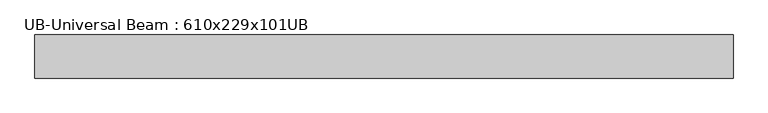
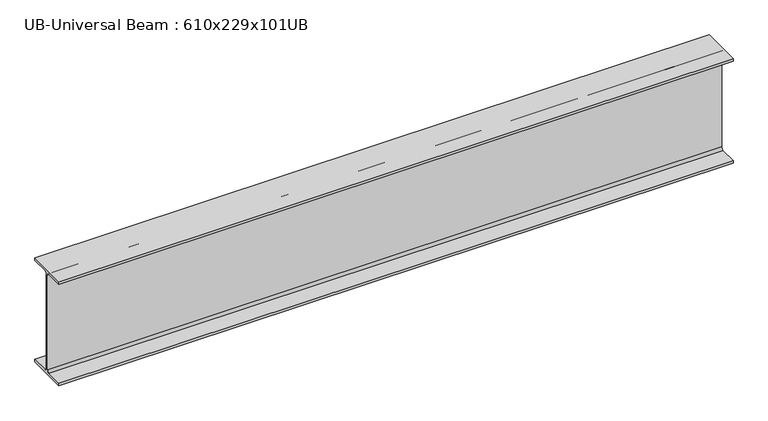
"""IFC4 building model written with IfcOpenShell, lengths in millimetres: beam geometry, UB-Universal Beam : 610x229x101UB."""

from ifc_helpers import new_model, si_unit, point, frame, frame_2d, origin, place, context, project, spatial, polyline, circle_curve, trimmed, segment, composite_curve, outline, extrude, source, transform, mapped, element, save


def ub_universal_beam_610x229x101ub_bdfbf951(model_context):
    return source(origin(), model_context, "Body", "SweptSolid", [
        extrude(outline(composite_curve([segment(polyline([(113.8, -286.5), (113.8, -301.3), (-113.8, -301.3), (-113.8, -286.5), (-17.95, -286.5)]), True, "CONTINUOUS"), segment(trimmed(circle_curve(frame_2d((-17.95, -273.8)), 12.7), [point((-17.95, -286.5))], [point((-5.25, -273.8))], True, "CARTESIAN"), True, "CONTINUOUS"), segment(polyline([(-5.25, -273.8), (-5.25, 273.8)]), True, "CONTINUOUS"), segment(trimmed(circle_curve(frame_2d((-17.95, 273.8)), 12.7), [point((-5.25, 273.8))], [point((-17.95, 286.5))], True, "CARTESIAN"), True, "CONTINUOUS"), segment(polyline([(-17.95, 286.5), (-113.8, 286.5), (-113.8, 301.3), (113.8, 301.3), (113.8, 286.5), (17.95, 286.5)]), True, "CONTINUOUS"), segment(trimmed(circle_curve(frame_2d((17.95, 273.8)), 12.7), [point((17.95, 286.5))], [point((5.25, 273.8))], True, "CARTESIAN"), True, "CONTINUOUS"), segment(polyline([(5.25, 273.8), (5.25, -273.8)]), True, "CONTINUOUS"), segment(trimmed(circle_curve(frame_2d((17.95, -273.8)), 12.7), [point((5.25, -273.8))], [point((17.95, -286.5))], True, "CARTESIAN"), True, "CONTINUOUS"), segment(polyline([(17.95, -286.5), (113.8, -286.5)]), True, "CONTINUOUS")], self_intersect=False)), frame((-1778.21386, 0.0, 0.0), z_axis=(1.0, 0.0, 0.0), x_axis=(0.0, 1.0, 0.0)), (0.0, 0.0, 1.0), 3683.2147239),
    ])


if __name__ == "__main__":
    model = new_model("IFC4")
    model_context = context("Model", 3, world=origin())
    ifc_project = project(units=[si_unit("LENGTHUNIT", "METRE", prefix="MILLI")], contexts=[model_context])
    site = spatial("IfcSite", under=ifc_project)
    building = spatial("IfcBuilding", under=site)
    placement = place(None, origin())
    ub_universal_beam_610x229x101ub_shape = ub_universal_beam_610x229x101ub_bdfbf951(model_context)
    element("IfcBeam", 1, ObjectType="UB-Universal Beam : 610x229x101UB", at=placement, inside=building, context=model_context, shape_type="MappedRepresentation", body=[
        mapped(ub_universal_beam_610x229x101ub_shape, transform((0.0, 0.0, 0.0), x_axis=(1.0, 0.0, 0.0), y_axis=(0.0, 1.0, 0.0), z_axis=(0.0, 0.0, 1.0))),
    ])
    save(model, "model.ifc")
